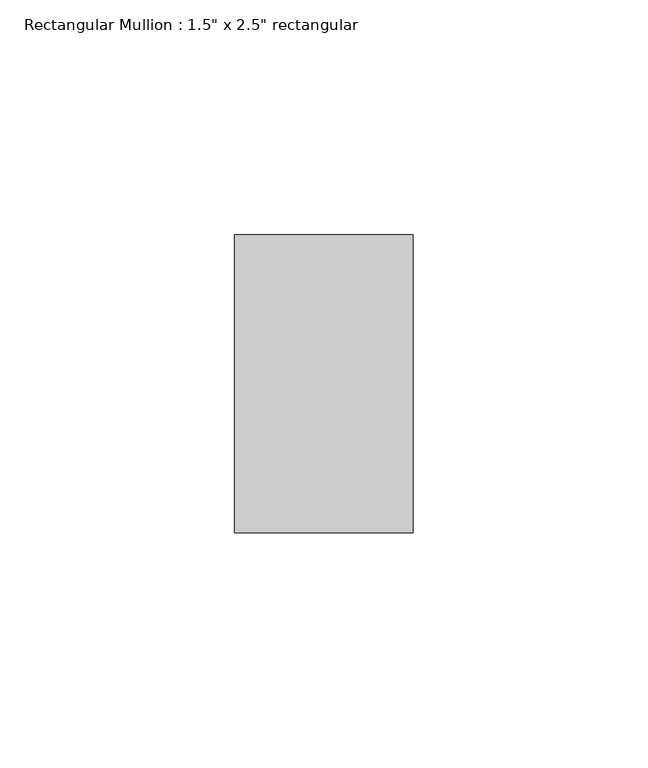
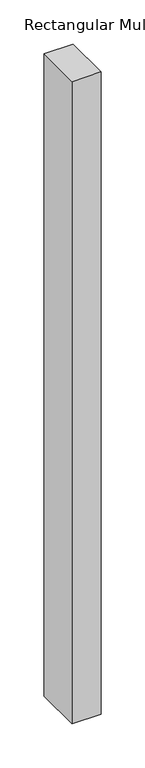
"""IFC4 building model written with IfcOpenShell, lengths in millimetres: member geometry."""

from ifc_helpers import new_model, si_unit, frame, origin, place, context, project, spatial, polyline, outline, extrude, source, transform, mapped, element, save


def member_66857ed6(model_context):
    return source(origin(), model_context, "Body", "SweptSolid", [
        extrude(outline(polyline([(0.0, 31.75), (0.0, -31.75), (-38.1, -31.75), (-38.1, 31.75), (0.0, 31.75)])), frame((0.0, 0.0, -888.2943083), z_axis=(0.0, 0.0, 1.0), x_axis=(1.0, 0.0, 0.0)), (0.0, 0.0, 1.0), 888.2943083),
    ])


if __name__ == "__main__":
    model = new_model("IFC4")
    model_context = context("Model", 3, world=origin())
    ifc_project = project(units=[si_unit("LENGTHUNIT", "METRE", prefix="MILLI")], contexts=[model_context])
    site = spatial("IfcSite", under=ifc_project)
    building = spatial("IfcBuilding", under=site)
    placement = place(None, origin())
    member_shape = member_66857ed6(model_context)
    element("IfcMember", 1, ObjectType="Rectangular Mullion : 1.5\" x 2.5\" rectangular", at=placement, inside=building, context=model_context, shape_type="MappedRepresentation", body=[
        mapped(member_shape, transform((0.0, 0.0, 0.0), x_axis=(1.0, 0.0, 0.0), y_axis=(0.0, 1.0, 0.0), z_axis=(0.0, 0.0, 1.0))),
    ])
    save(model, "model.ifc")
